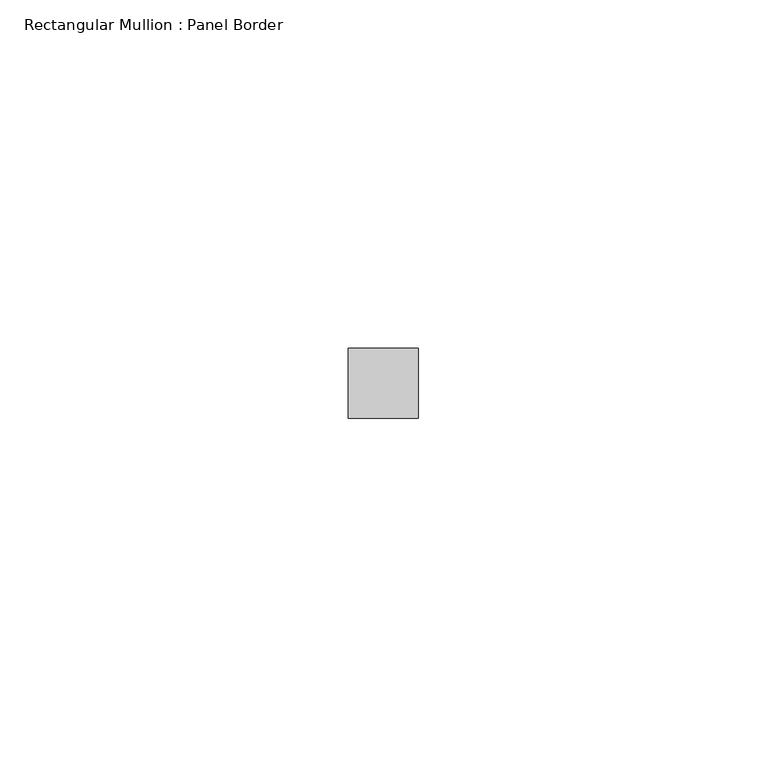
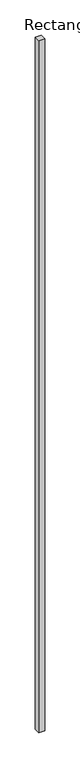
"""IFC4 building model written with IfcOpenShell, lengths in millimetres: member geometry, Rectangular Mullion : Panel Border."""

from ifc_helpers import new_model, si_unit, frame, origin, place, context, project, spatial, polyline, outline, extrude, source, transform, mapped, element, save


def rectangular_mullion_panel_border_61c8320c(model_context):
    return source(origin(), model_context, "Body", "SweptSolid", [
        extrude(outline(polyline([(5.0, 5.5), (5.0, -4.5), (-5.0, -4.5), (-5.0, 5.5), (5.0, 5.5)])), frame((0.0, 0.0, -1202.5), z_axis=(0.0, 0.0, 1.0), x_axis=(1.0, 0.0, 0.0)), (0.0, 0.0, 1.0), 1202.5),
    ])


if __name__ == "__main__":
    model = new_model("IFC4")
    model_context = context("Model", 3, world=origin())
    ifc_project = project(units=[si_unit("LENGTHUNIT", "METRE", prefix="MILLI")], contexts=[model_context])
    site = spatial("IfcSite", under=ifc_project)
    building = spatial("IfcBuilding", under=site)
    placement = place(None, origin())
    rectangular_mullion_panel_border_shape = rectangular_mullion_panel_border_61c8320c(model_context)
    element("IfcMember", 1, ObjectType="Rectangular Mullion : Panel Border", at=placement, inside=building, context=model_context, shape_type="MappedRepresentation", body=[
        mapped(rectangular_mullion_panel_border_shape, transform((0.0, 0.0, 0.0), x_axis=(1.0, 0.0, 0.0), y_axis=(0.0, 1.0, 0.0), z_axis=(0.0, 0.0, 1.0))),
    ])
    save(model, "model.ifc")
